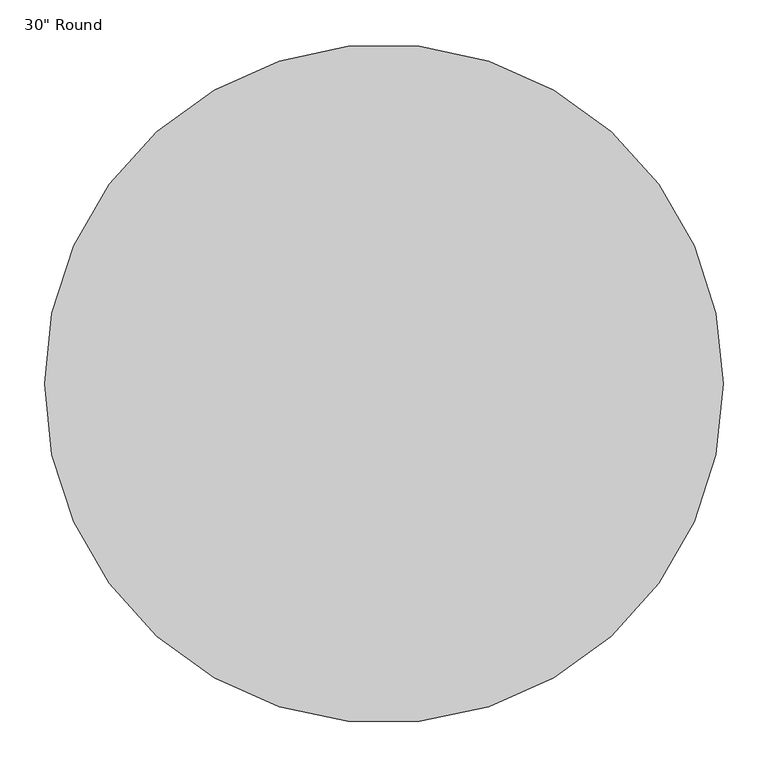
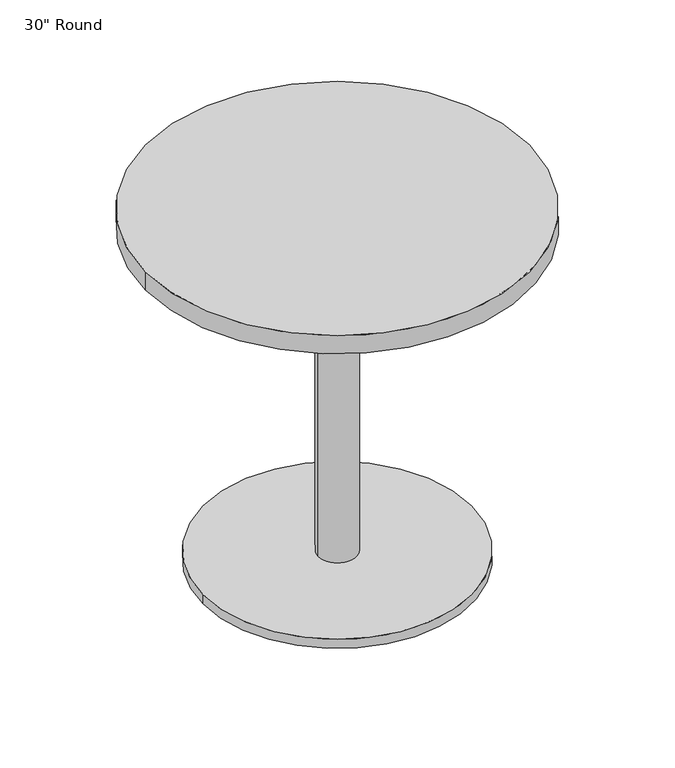
"""IFC4 building model written with IfcOpenShell, lengths in millimetres: furniture geometry."""

from ifc_helpers import new_model, si_unit, point, frame, origin, origin_with_axes, origin_2d, place, context, project, spatial, polyline, circle_curve, trimmed, segment, composite_curve, outline, extrude, source, transform, mapped, element, save


def furniture_2e004258(model_context):
    return source(origin(), model_context, "Body", "SweptSolid", [
        extrude(outline(polyline([(136.525, 136.525), (136.525, -136.525), (-136.525, -136.525), (-136.525, 136.525), (136.525, 136.525)])), frame((0.0, 0.0, 692.15), z_axis=(0.0, 0.0, 1.0), x_axis=(1.0, 0.0, 0.0)), (0.0, 0.0, 1.0), 6.35),
        extrude(outline(composite_curve([segment(trimmed(circle_curve(origin_2d(), 381.0), [point((-381.0, 0.0))], [point((381.0, 0.0))], False, "CARTESIAN"), True, "CONTINUOUS"), segment(trimmed(circle_curve(origin_2d(), 381.0), [point((381.0, 0.0))], [point((-381.0, 0.0))], False, "CARTESIAN"), True, "CONTINUOUS")], self_intersect=False)), frame((0.0, 0.0, 698.5), z_axis=(0.0, 0.0, 1.0), x_axis=(1.0, 0.0, 0.0)), (0.0, 0.0, 1.0), 38.1),
        extrude(outline(composite_curve([segment(trimmed(circle_curve(origin_2d(), 266.7), [point((-266.7, 0.0))], [point((266.7, 0.0))], False, "CARTESIAN"), True, "CONTINUOUS"), segment(trimmed(circle_curve(origin_2d(), 266.7), [point((266.7, 0.0))], [point((-266.7, 0.0))], False, "CARTESIAN"), True, "CONTINUOUS")], self_intersect=False)), origin_with_axes(), (0.0, 0.0, 1.0), 19.05),
        extrude(outline(composite_curve([segment(trimmed(circle_curve(origin_2d(), 38.1), [point((-38.1, 0.0))], [point((38.1, 0.0))], False, "CARTESIAN"), True, "CONTINUOUS"), segment(trimmed(circle_curve(origin_2d(), 38.1), [point((38.1, 0.0))], [point((-38.1, 0.0))], False, "CARTESIAN"), True, "CONTINUOUS")], self_intersect=False)), frame((0.0, 0.0, 19.05), z_axis=(0.0, 0.0, 1.0), x_axis=(1.0, 0.0, 0.0)), (0.0, 0.0, 1.0), 679.45),
        extrude(outline(composite_curve([segment(trimmed(circle_curve(origin_2d(), 31.75), [point((-31.75, 0.0))], [point((31.75, 0.0))], False, "CARTESIAN"), True, "CONTINUOUS"), segment(trimmed(circle_curve(origin_2d(), 31.75), [point((31.75, 0.0))], [point((-31.75, 0.0))], False, "CARTESIAN"), True, "CONTINUOUS")], self_intersect=False)), frame((0.0, 0.0, 237.4510949), z_axis=(0.0, 0.0, 1.0), x_axis=(1.0, 0.0, 0.0)), (0.0, 0.0, 1.0), 461.0489051),
    ])


if __name__ == "__main__":
    model = new_model("IFC4")
    model_context = context("Model", 3, world=origin())
    ifc_project = project(units=[si_unit("LENGTHUNIT", "METRE", prefix="MILLI")], contexts=[model_context])
    site = spatial("IfcSite", under=ifc_project)
    building = spatial("IfcBuilding", under=site)
    placement = place(None, origin())
    furniture_shape = furniture_2e004258(model_context)
    element("IfcFurniture", 1, ObjectType="30\" Round", at=placement, inside=building, context=model_context, shape_type="MappedRepresentation", body=[
        mapped(furniture_shape, transform((0.0, 0.0, 0.0), x_axis=(1.0, 0.0, 0.0), y_axis=(0.0, 1.0, 0.0), z_axis=(0.0, 0.0, 1.0))),
    ])
    save(model, "model.ifc")
